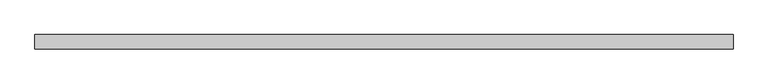
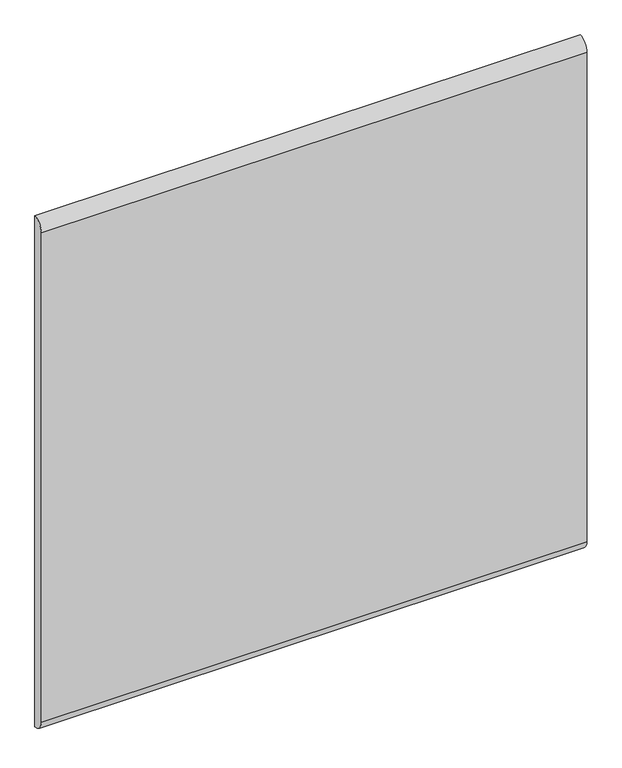
"""IFC4 building model written with IfcOpenShell, lengths in millimetres: furniture geometry."""

from ifc_helpers import new_model, si_unit, point, frame, frame_2d, origin, place, context, project, spatial, polyline, circle_curve, trimmed, segment, composite_curve, outline, extrude, source, transform, mapped, element, save


def furniture_2535883c(model_context):
    return source(origin(), model_context, "Body", "SweptSolid", [
        extrude(outline(composite_curve([segment(trimmed(circle_curve(frame_2d((12.7, 939.8)), 25.4), [point((12.7, 914.4))], [point((-12.7, 939.8))], False, "CARTESIAN"), True, "CONTINUOUS"), segment(polyline([(-12.7, 939.8), (-12.7, 2095.5)]), True, "CONTINUOUS"), segment(trimmed(circle_curve(frame_2d((12.7, 2095.5)), 25.4), [point((-12.7, 2095.5))], [point((12.7, 2120.9))], False, "CARTESIAN"), True, "CONTINUOUS"), segment(polyline([(12.7, 2120.9), (12.7, 914.4)]), True, "CONTINUOUS")], self_intersect=False)), frame((-609.6, 0.0, 0.0), z_axis=(1.0, 0.0, 0.0), x_axis=(0.0, 1.0, 0.0)), (0.0, 0.0, 1.0), 1219.2),
    ])


if __name__ == "__main__":
    model = new_model("IFC4")
    model_context = context("Model", 3, world=origin())
    ifc_project = project(units=[si_unit("LENGTHUNIT", "METRE", prefix="MILLI")], contexts=[model_context])
    site = spatial("IfcSite", under=ifc_project)
    building = spatial("IfcBuilding", under=site)
    placement = place(None, origin())
    furniture_shape = furniture_2535883c(model_context)
    element("IfcFurniture", 1, at=placement, inside=building, context=model_context, shape_type="MappedRepresentation", body=[
        mapped(furniture_shape, transform((0.0, 0.0, 0.0), x_axis=(1.0, 0.0, 0.0), y_axis=(0.0, 1.0, 0.0), z_axis=(0.0, 0.0, 1.0))),
    ])
    save(model, "model.ifc")
